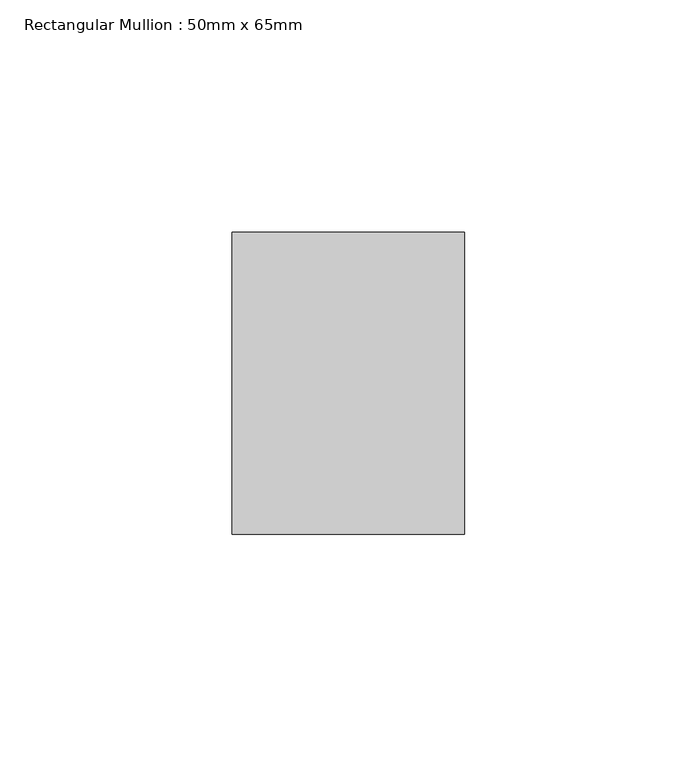
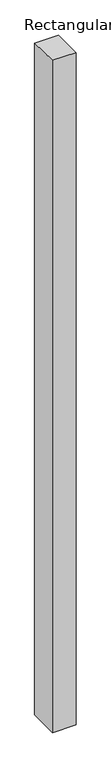
"""IFC4 building model written with IfcOpenShell, lengths in millimetres: member geometry, Rectangular Mullion : 50mm x 65mm."""

from ifc_helpers import new_model, si_unit, frame, origin, place, context, project, spatial, polyline, outline, extrude, source, transform, mapped, element, save


def rectangular_mullion_50mm_x_65mm_54b56ae1(model_context):
    return source(origin(), model_context, "Body", "SweptSolid", [
        extrude(outline(polyline([(-32.5, 0.3536708), (32.5, -0.3536708), (32.5, -1499.5479228), (-32.5, -1500.451553), (-32.5, 0.3536708)])), frame((-25.0, 0.0, 0.0), z_axis=(1.0, 0.0, 0.0), x_axis=(0.0, 1.0, 0.0)), (0.0, 0.0, 1.0), 50.0),
    ])


if __name__ == "__main__":
    model = new_model("IFC4")
    model_context = context("Model", 3, world=origin())
    ifc_project = project(units=[si_unit("LENGTHUNIT", "METRE", prefix="MILLI")], contexts=[model_context])
    site = spatial("IfcSite", under=ifc_project)
    building = spatial("IfcBuilding", under=site)
    placement = place(None, origin())
    rectangular_mullion_50mm_x_65mm_shape = rectangular_mullion_50mm_x_65mm_54b56ae1(model_context)
    element("IfcMember", 1, ObjectType="Rectangular Mullion : 50mm x 65mm", at=placement, inside=building, context=model_context, shape_type="MappedRepresentation", body=[
        mapped(rectangular_mullion_50mm_x_65mm_shape, transform((0.0, 0.0, 0.0), x_axis=(1.0, 0.0, 0.0), y_axis=(0.0, 1.0, 0.0), z_axis=(0.0, 0.0, 1.0))),
    ])
    save(model, "model.ifc")
